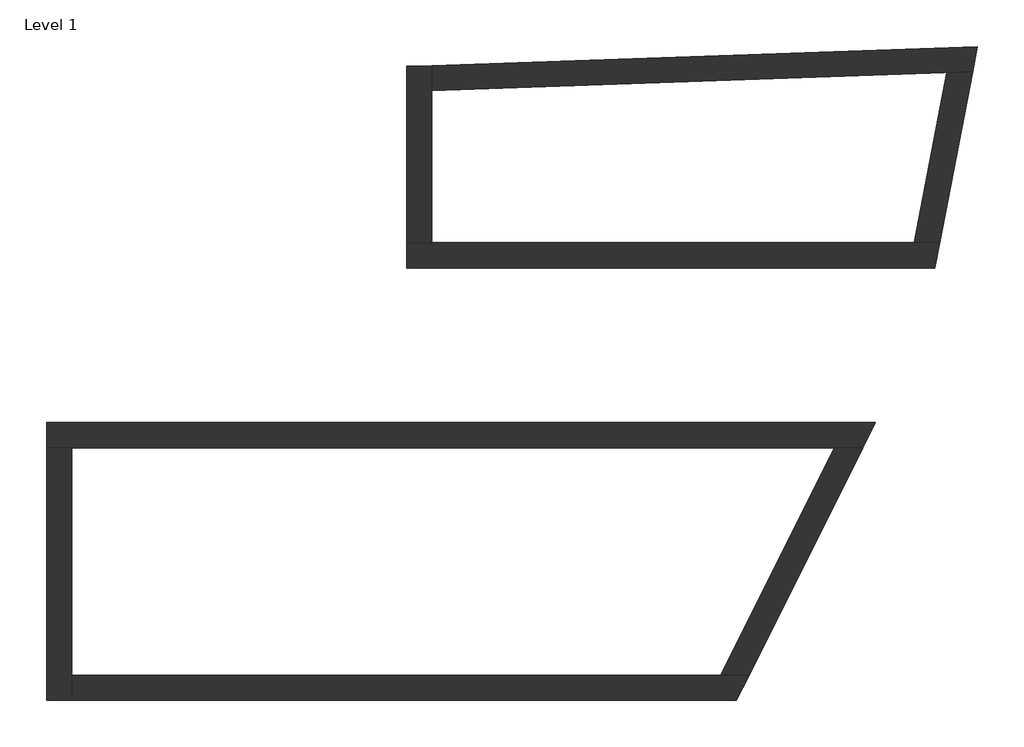
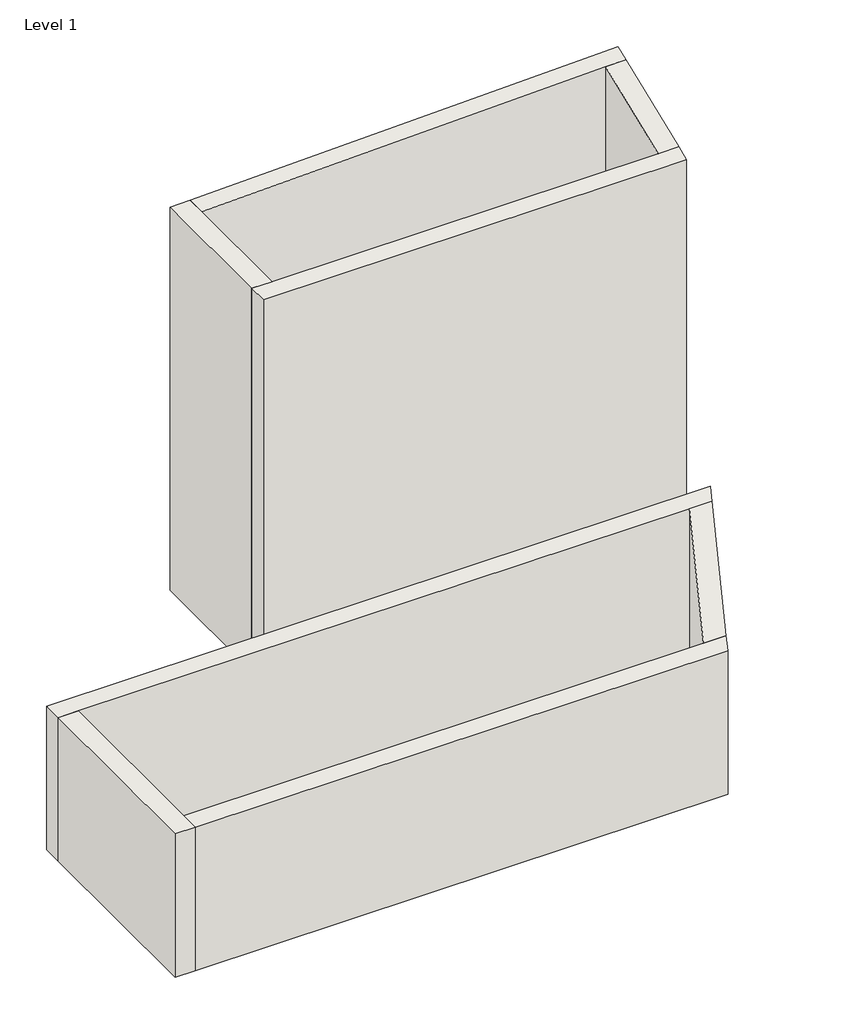
# One storey: 8 walls.
"""IFC4 building model written with IfcOpenShell, lengths in millimetres."""

from ifc_helpers import new_model, si_unit, origin, origin_with_axes, place, context, project, spatial, polyline, outline, extrude, faceted_brep, element, save

model = new_model("IFC4")

# Units and contexts
model_context = context("Model", 3, world=origin())
ifc_project = project(units=[si_unit("LENGTHUNIT", "METRE", prefix="MILLI")], contexts=[model_context])

# Site, building, storey
site = spatial("IfcSite", under=ifc_project)
building = spatial("IfcBuilding", under=site)
storey = spatial("IfcBuildingStorey", under=building, Name="Level 1", Elevation=0.0)

# Walls
placement = place(None, origin())
element("IfcWall", 1, ObjectType="Wall 1", at=placement, inside=storey, context=model_context, shape_type="Brep", body=[
    faceted_brep([(6474.5801236, 2371.4285714, 0.0), (6270.9327389, 2371.4285714, 0.0), (2453.5714286, 2371.4285714, 0.0), (2253.5714286, 2371.4285714, 0.0), (2253.5714286, 2371.4285714, 4000.0), (2453.5714286, 2371.4285714, 4000.0), (6270.9327389, 2371.4285714, 4000.0), (6474.5801236, 2371.4285714, 4000.0), (6436.2101182, 2171.4285714, 0.0), (6436.2101182, 2171.4285714, 4000.0), (2253.5714286, 2171.4285714, 4000.0), (2253.5714286, 2171.4285714, 0.0)], [[[0, 1, 2, 3, 4, 5, 6, 7]], [[8, 9, 10, 11]], [[3, 2, 1, 0, 8, 11]], [[7, 6, 5, 4, 10, 9]], [[4, 3, 11, 10]], [[0, 7, 9, 8]]]),
])
element("IfcWall", 2, ObjectType="Wall 1", at=placement, inside=storey, context=model_context, shape_type="Brep", body=[
    faceted_brep([(2453.5714286, 2371.4285714, 0.0), (2453.5714286, 3574.8596939, 0.0), (2453.5714286, 3774.9816028, 0.0), (2453.5714286, 3774.9816028, 4000.0), (2453.5714286, 3574.8596939, 4000.0), (2453.5714286, 2371.4285714, 4000.0), (2253.5714286, 2371.4285714, 0.0), (2253.5714286, 2371.4285714, 4000.0), (2253.5714286, 3767.9974489, 4000.0), (2253.5714286, 3767.9974489, 0.0)], [[[0, 1, 2, 3, 4, 5]], [[6, 7, 8, 9]], [[2, 1, 0, 6, 9]], [[5, 4, 3, 8, 7]], [[0, 5, 7, 6]], [[3, 2, 9, 8]]]),
])
element("IfcWall", 3, ObjectType="Wall 1", at=placement, inside=storey, context=model_context, shape_type="Brep", body=[
    faceted_brep([(2453.5714286, 3574.8596939, 0.0), (6529.1153448, 3717.1808236, 0.0), (6734.1362777, 3724.3403123, 0.0), (6734.1362777, 3724.3403123, 4000.0), (6529.1153448, 3717.1808236, 4000.0), (2453.5714286, 3574.8596939, 4000.0), (2453.5714286, 3774.9816028, 0.0), (2453.5714286, 3774.9816028, 4000.0), (6772.7886247, 3925.8119909, 4000.0), (6772.7886247, 3925.8119909, 0.0)], [[[0, 1, 2, 3, 4, 5]], [[6, 7, 8, 9]], [[2, 1, 0, 6, 9]], [[5, 4, 3, 8, 7]], [[0, 5, 7, 6]], [[3, 2, 9, 8]]]),
])
element("IfcWall", 4, ObjectType="Wall 1", at=placement, inside=storey, context=model_context, shape_type="SweptSolid", body=[
    extrude(outline(polyline([(6270.9327389, 2371.4285714), (6529.1153448, 3717.1808236), (6734.1362777, 3724.3403123), (6474.5801236, 2371.4285714), (6270.9327389, 2371.4285714)])), origin_with_axes(), (0.0, 0.0, 1.0), 4000.0),
])
element("IfcWall", 5, ObjectType="Wall 2", at=placement, inside=storey, context=model_context, shape_type="Brep", body=[
    faceted_brep([(5964.3166645, 945.3358594, 0.0), (-597.4867344, 945.3358594, 0.0), (-597.4867344, 945.3358594, 1500.0), (5964.3166645, 945.3358594, 1500.0), (5864.3166645, 745.3358594, 0.0), (5864.3166645, 745.3358594, 1500.0), (5640.7098668, 745.3358594, 1500.0), (-397.4867344, 745.3358594, 1500.0), (-597.4867344, 745.3358594, 1500.0), (-597.4867344, 745.3358594, 0.0), (-397.4867344, 745.3358594, 0.0), (5640.7098668, 745.3358594, 0.0)], [[[0, 1, 2, 3]], [[4, 5, 6, 7, 8, 9, 10, 11]], [[1, 0, 4, 11, 10, 9]], [[3, 2, 8, 7, 6, 5]], [[2, 1, 9, 8]], [[0, 3, 5, 4]]]),
])
element("IfcWall", 6, ObjectType="Wall 2", at=placement, inside=storey, context=model_context, shape_type="Brep", body=[
    faceted_brep([(-597.4867344, 745.3358594, 0.0), (-597.4867344, -1254.6641406, 0.0), (-597.4867344, -1254.6641406, 1500.0), (-597.4867344, 745.3358594, 1500.0), (-397.4867344, 745.3358594, 0.0), (-397.4867344, 745.3358594, 1500.0), (-397.4867344, -1054.6641406, 1500.0), (-397.4867344, -1254.6641406, 1500.0), (-397.4867344, -1254.6641406, 0.0), (-397.4867344, -1054.6641406, 0.0)], [[[0, 1, 2, 3]], [[4, 5, 6, 7, 8, 9]], [[1, 0, 4, 9, 8]], [[3, 2, 7, 6, 5]], [[0, 3, 5, 4]], [[2, 1, 8, 7]]]),
])
element("IfcWall", 7, ObjectType="Wall 2", at=placement, inside=storey, context=model_context, shape_type="Brep", body=[
    faceted_brep([(-397.4867344, -1254.6641406, 0.0), (4864.3166645, -1254.6641406, 0.0), (4864.3166645, -1254.6641406, 1500.0), (-397.4867344, -1254.6641406, 1500.0), (-397.4867344, -1054.6641406, 0.0), (-397.4867344, -1054.6641406, 1500.0), (4740.7098668, -1054.6641406, 1500.0), (4964.3166645, -1054.6641406, 1500.0), (4964.3166645, -1054.6641406, 0.0), (4740.7098668, -1054.6641406, 0.0)], [[[0, 1, 2, 3]], [[4, 5, 6, 7, 8, 9]], [[1, 0, 4, 9, 8]], [[3, 2, 7, 6, 5]], [[0, 3, 5, 4]], [[2, 1, 8, 7]]]),
])
element("IfcWall", 8, ObjectType="Wall 2", at=placement, inside=storey, context=model_context, shape_type="SweptSolid", body=[
    extrude(outline(polyline([(5864.3166645, 745.3358594), (4964.3166645, -1054.6641406), (4740.7098668, -1054.6641406), (5640.7098668, 745.3358594), (5864.3166645, 745.3358594)])), origin_with_axes(), (0.0, 0.0, 1.0), 1500.0),
])

save(model, "model.ifc")
